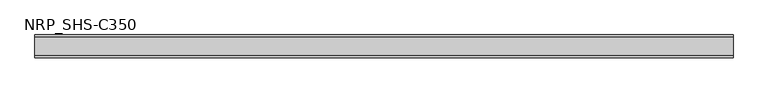
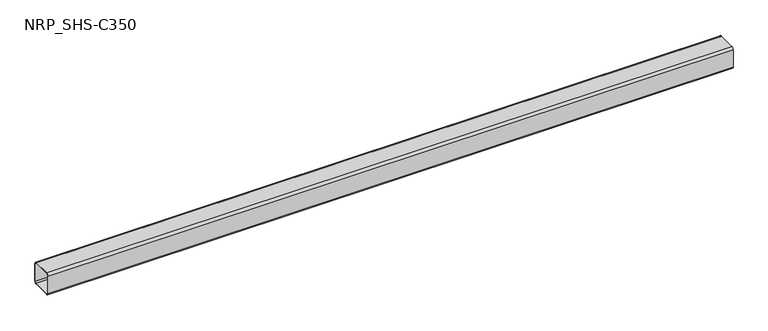
"""IFC4 building model written with IfcOpenShell, lengths in millimetres: member geometry, NRP_SHS-C350."""

from ifc_helpers import new_model, si_unit, point, frame, frame_2d, origin, place, context, project, spatial, polyline, circle_curve, trimmed, segment, composite_curve, outline, extrude, source, transform, mapped, element, save


def nrp_shs_c350_772e2ba5(model_context):
    return source(origin(), model_context, "Body", "SweptSolid", [
        extrude(outline(composite_curve([segment(trimmed(circle_curve(frame_2d((-35.75, 35.75)), 8.75), [point((-44.5, 35.75))], [point((-35.75, 44.5))], False, "CARTESIAN"), True, "CONTINUOUS"), segment(polyline([(-35.75, 44.5), (35.75, 44.5)]), True, "CONTINUOUS"), segment(trimmed(circle_curve(frame_2d((35.75, 35.75)), 8.75), [point((35.75, 44.5))], [point((44.5, 35.75))], False, "CARTESIAN"), True, "CONTINUOUS"), segment(polyline([(44.5, 35.75), (44.5, -35.75)]), True, "CONTINUOUS"), segment(trimmed(circle_curve(frame_2d((35.75, -35.75)), 8.75), [point((44.5, -35.75))], [point((35.75, -44.5))], False, "CARTESIAN"), True, "CONTINUOUS"), segment(polyline([(35.75, -44.5), (-35.75, -44.5)]), True, "CONTINUOUS"), segment(trimmed(circle_curve(frame_2d((-35.75, -35.75)), 8.75), [point((-35.75, -44.5))], [point((-44.5, -35.75))], False, "CARTESIAN"), True, "CONTINUOUS"), segment(polyline([(-44.5, -35.75), (-44.5, 35.75)]), True, "CONTINUOUS")], self_intersect=False), holes=[composite_curve([segment(polyline([(35.75, 41.0), (-35.75, 41.0)]), True, "CONTINUOUS"), segment(trimmed(circle_curve(frame_2d((-35.75, 35.75)), 5.25), [point((-35.75, 41.0))], [point((-41.0, 35.75))], True, "CARTESIAN"), True, "CONTINUOUS"), segment(polyline([(-41.0, 35.75), (-41.0, -35.75)]), True, "CONTINUOUS"), segment(trimmed(circle_curve(frame_2d((-35.75, -35.75)), 5.25), [point((-41.0, -35.75))], [point((-35.75, -41.0))], True, "CARTESIAN"), True, "CONTINUOUS"), segment(polyline([(-35.75, -41.0), (35.75, -41.0)]), True, "CONTINUOUS"), segment(trimmed(circle_curve(frame_2d((35.75, -35.75)), 5.25), [point((35.75, -41.0))], [point((41.0, -35.75))], True, "CARTESIAN"), True, "CONTINUOUS"), segment(polyline([(41.0, -35.75), (41.0, 35.75)]), True, "CONTINUOUS"), segment(trimmed(circle_curve(frame_2d((35.75, 35.75)), 5.25), [point((41.0, 35.75))], [point((35.75, 41.0))], True, "CARTESIAN"), True, "CONTINUOUS")], self_intersect=False)]), frame((-1322.0, 0.0, 0.0), z_axis=(1.0, 0.0, 0.0), x_axis=(0.0, 1.0, 0.0)), (0.0, 0.0, 1.0), 2699.0),
    ])


if __name__ == "__main__":
    model = new_model("IFC4")
    model_context = context("Model", 3, world=origin())
    ifc_project = project(units=[si_unit("LENGTHUNIT", "METRE", prefix="MILLI")], contexts=[model_context])
    site = spatial("IfcSite", under=ifc_project)
    building = spatial("IfcBuilding", under=site)
    placement = place(None, origin())
    nrp_shs_c350_shape = nrp_shs_c350_772e2ba5(model_context)
    element("IfcMember", 1, ObjectType="NRP_SHS-C350", at=placement, inside=building, context=model_context, shape_type="MappedRepresentation", body=[
        mapped(nrp_shs_c350_shape, transform((0.0, 0.0, 0.0), x_axis=(1.0, 0.0, 0.0), y_axis=(0.0, 1.0, 0.0), z_axis=(0.0, 0.0, 1.0))),
    ])
    save(model, "model.ifc")
